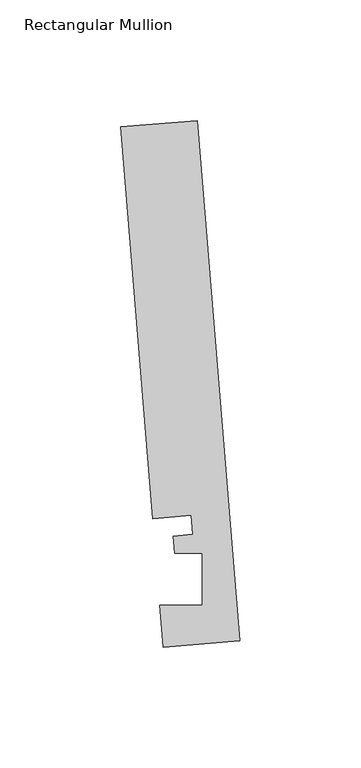
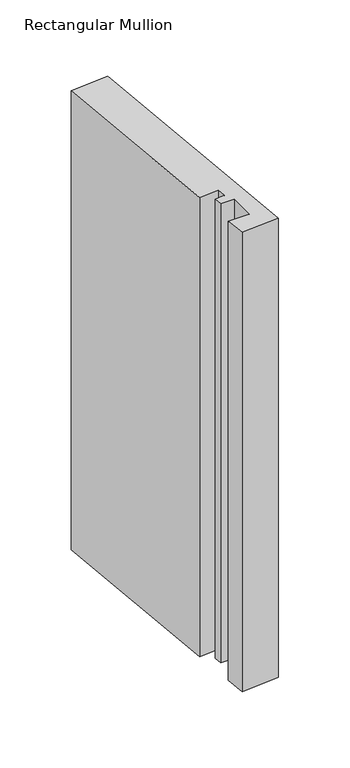
"""IFC4 building model written with IfcOpenShell, lengths in millimetres: member geometry, Rectangular Mullion."""

from ifc_helpers import new_model, si_unit, frame, origin, place, context, project, spatial, polyline, outline, extrude, source, transform, mapped, element, save


def rectangular_mullion_856f8eaa(model_context):
    return source(origin(), model_context, "Body", "SweptSolid", [
        extrude(outline(polyline([(-0.2190396, 2.6699364), (-31.8627302, 0.0739116), (-33.2772473, 17.315866), (-15.8506254, 17.315866), (-15.848851, 38.9474576), (-27.100463, 38.9474576), (-27.6861262, 46.0862742), (-19.7625461, 46.7363188), (-20.4084371, 54.6092691), (-36.2302824, 53.3112566), (-49.5364672, 215.5041572), (-17.8927766, 218.100182), (-0.2190396, 2.6699364)])), frame((0.0, 0.0, -403.3884143), z_axis=(0.0, 0.0, 1.0), x_axis=(1.0, 0.0, 0.0)), (0.0, 0.0, 1.0), 403.3884143),
    ])


if __name__ == "__main__":
    model = new_model("IFC4")
    model_context = context("Model", 3, world=origin())
    ifc_project = project(units=[si_unit("LENGTHUNIT", "METRE", prefix="MILLI")], contexts=[model_context])
    site = spatial("IfcSite", under=ifc_project)
    building = spatial("IfcBuilding", under=site)
    placement = place(None, origin())
    rectangular_mullion_shape = rectangular_mullion_856f8eaa(model_context)
    element("IfcMember", 1, ObjectType="Rectangular Mullion", at=placement, inside=building, context=model_context, shape_type="MappedRepresentation", body=[
        mapped(rectangular_mullion_shape, transform((0.0, 0.0, 0.0), x_axis=(1.0, 0.0, 0.0), y_axis=(0.0, 1.0, 0.0), z_axis=(0.0, 0.0, 1.0))),
    ])
    save(model, "model.ifc")
